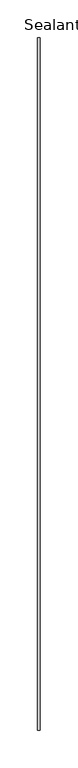
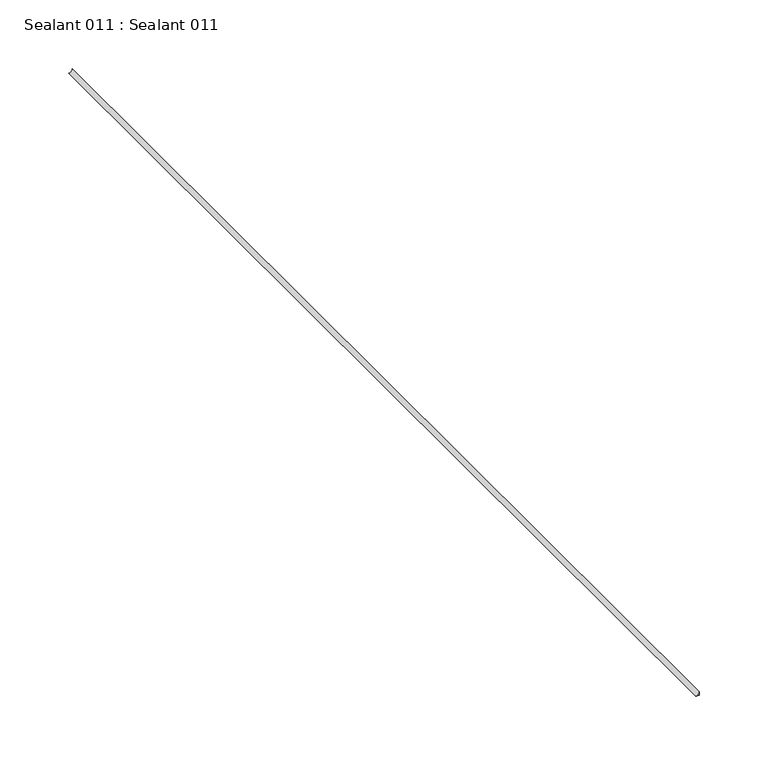
"""IFC4 building model written with IfcOpenShell, lengths in millimetres: proxy geometry, Sealant 011 : Sealant 011."""

import ifcopenshell
import ifcopenshell.guid

model = None  # the IFC model being written
_history = None  # IfcOwnerHistory: only IFC2X3 demands one
_inside = {}  # id of a spatial element -> (the spatial element, [elements in it])
_under = {}  # id of a project, library or spatial element -> (it, [spatial elements below it])
_declared = {}  # id of a project -> (the project, [libraries it declares])
_typed = {}  # id of a type object -> (the type object, [elements of that type])
_made_of = {}  # id of a material, layer set ... -> (it, [elements and type objects made of it])


def new_model(schema):
    """Start an empty IFC model of exactly this schema.

    Asked for "IFC4X3", IfcOpenShell would pick the latest addendum, in which some entities
    have other attributes; the version numbers below select the first issue.
    IFC2X3 requires an IfcOwnerHistory on every rooted entity: one is made here for all.
    """
    global model, _history
    if schema == "IFC4X3":
        model = ifcopenshell.file(schema_version=(4, 3, 0, 0))
    else:
        model = ifcopenshell.file(schema=schema)
    _inside.clear()
    _under.clear()
    _declared.clear()
    _typed.clear()
    _made_of.clear()
    _history = None
    if model.schema == "IFC2X3":
        org = make("IfcOrganization", Name="unknown")
        user = make(
            "IfcPersonAndOrganization",
            ThePerson=make("IfcPerson", FamilyName="unknown"),
            TheOrganization=org,
        )
        app = make(
            "IfcApplication",
            ApplicationDeveloper=org,
            Version="unknown",
            ApplicationFullName="unknown",
            ApplicationIdentifier="unknown",
        )
        _history = make(
            "IfcOwnerHistory",
            OwningUser=user,
            OwningApplication=app,
            ChangeAction="ADDED",
            CreationDate=0,
        )
    return model


def make(cls, **values):
    """One entity of the class cls with the attributes given. An attribute that is None is left unset."""
    return model.create_entity(
        cls, **{name: value for name, value in values.items() if value is not None}
    )


def rooted(cls, **values):
    """An entity with a GlobalId (a new one), such as an element, a storey or a relation."""
    return make(cls, GlobalId=ifcopenshell.guid.new(), OwnerHistory=_history, **values)


def si_unit(unit_type, name, prefix=None):
    """IfcSIUnit, for example si_unit("LENGTHUNIT", "METRE", prefix="MILLI")."""
    return make("IfcSIUnit", UnitType=unit_type, Prefix=prefix, Name=name)


def assignment(units):
    """IfcUnitAssignment: the units of a project."""
    return None if units is None else make("IfcUnitAssignment", Units=units)


def point(xyz):
    """IfcCartesianPoint."""
    return None if xyz is None else make("IfcCartesianPoint", Coordinates=xyz)


def direction(xyz):
    """IfcDirection."""
    return None if xyz is None else make("IfcDirection", DirectionRatios=xyz)


def frame(location, z_axis=None, x_axis=None):
    """IfcAxis2Placement3D, a coordinate frame: its origin and axes. An axis left out is left unset."""
    return make(
        "IfcAxis2Placement3D",
        Location=point(location),
        Axis=direction(z_axis),
        RefDirection=direction(x_axis),
    )


def origin():
    """The frame at (0, 0, 0) with its axes left unset."""
    return frame((0.0, 0.0, 0.0))


def place(relative_to, where):
    """IfcLocalPlacement: puts the frame where relative to a parent placement (None: the world)."""
    return make(
        "IfcLocalPlacement", PlacementRelTo=relative_to, RelativePlacement=where
    )


def context(
    kind, dimensions, precision=None, world=None, true_north=None, identifier=None
):
    """IfcGeometricRepresentationContext, for example the 3D "Model" context."""
    return make(
        "IfcGeometricRepresentationContext",
        ContextIdentifier=identifier,
        ContextType=kind,
        CoordinateSpaceDimension=dimensions,
        Precision=precision,
        WorldCoordinateSystem=world,
        TrueNorth=true_north,
    )


def project(units=None, contexts=None):
    """IfcProject with its units and contexts."""
    return rooted(
        "IfcProject",
        Name="project",
        RepresentationContexts=contexts,
        UnitsInContext=assignment(units),
    )


def spatial(cls, under=None, at=None, **own):
    """A site, building, storey or space (cls), placed at a placement, below another one or the project."""
    s = rooted(cls, ObjectPlacement=at, **own)
    if under is not None:
        _under.setdefault(under.id(), (under, []))[1].append(s)
    return s


def polyline(points):
    """IfcPolyline through the points."""
    return make("IfcPolyline", Points=[point(p) for p in points])


def circle_curve(where, radius):
    """IfcCircle in the frame where."""
    return make("IfcCircle", Position=where, Radius=radius)


def shape(context_of_items, identifier, shape_type, items):
    """IfcShapeRepresentation: the items that make up one representation, for example the "Body"."""
    return make(
        "IfcShapeRepresentation",
        ContextOfItems=context_of_items,
        RepresentationIdentifier=identifier,
        RepresentationType=shape_type,
        Items=items,
    )


def source(mapping_origin, context_of_items, identifier, shape_type, items):
    """IfcRepresentationMap: a shape defined once, which mapped items show again and again."""
    return make(
        "IfcRepresentationMap",
        MappingOrigin=mapping_origin,
        MappedRepresentation=shape(context_of_items, identifier, shape_type, items),
    )


def transform(
    local_origin,
    x_axis=None,
    y_axis=None,
    z_axis=None,
    scale=None,
    scale2=None,
    scale3=None,
    uniform=True,
):
    """IfcCartesianTransformationOperator3D, or its non-uniform kind. x_axis, y_axis, z_axis: its Axis1, 2, 3."""
    if uniform:
        return make(
            "IfcCartesianTransformationOperator3D",
            Axis1=direction(x_axis),
            Axis2=direction(y_axis),
            LocalOrigin=point(local_origin),
            Scale=scale,
            Axis3=direction(z_axis),
        )
    return make(
        "IfcCartesianTransformationOperator3DnonUniform",
        Axis1=direction(x_axis),
        Axis2=direction(y_axis),
        LocalOrigin=point(local_origin),
        Scale=scale,
        Axis3=direction(z_axis),
        Scale2=scale2,
        Scale3=scale3,
    )


def mapped(mapping_source, mapping_target):
    """IfcMappedItem: shows the shape of a source again, moved by a transform."""
    return make(
        "IfcMappedItem", MappingSource=mapping_source, MappingTarget=mapping_target
    )


def made_of(thing, what):
    """Note that an element or type object is made of a material, layer set ...; save() writes the relation."""
    if what is not None:
        _made_of.setdefault(what.id(), (what, []))[1].append(thing)
    return thing


def element(
    cls,
    number,
    at=None,
    inside=None,
    cuts=None,
    type_object=None,
    material=None,
    context=None,
    identifier="Body",
    shape_type=None,
    held_by="IfcProductDefinitionShape",
    body=None,
    shapes=None,
    **own,
):
    """One element of the class cls, such as IfcWall. Its Tag is "e" and its number.

    at: its placement. inside: the storey or other place that contains it. cuts: it is an
    opening in that element (IfcRelVoidsElement). A single representation is given by context,
    identifier, shape_type and body (its items); several are given by shapes. held_by: the class
    of the entity that holds the representations. save() writes the other relations.
    """
    e = rooted(cls, Tag="e%d" % number, ObjectPlacement=at, **own)
    if body is not None:
        shapes = [shape(context, identifier, shape_type, body)]
    if shapes is not None:
        e.Representation = make(held_by, Representations=shapes)
    if inside is not None:
        _inside.setdefault(inside.id(), (inside, []))[1].append(e)
    if cuts is not None:
        rooted(
            "IfcRelVoidsElement", RelatingBuildingElement=cuts, RelatedOpeningElement=e
        )
    if type_object is not None:
        _typed.setdefault(type_object.id(), (type_object, []))[1].append(e)
    return made_of(e, material)


def aggregate(whole, parts):
    """IfcRelAggregates: a whole, such as a stair, and the parts it consists of."""
    return rooted("IfcRelAggregates", RelatingObject=whole, RelatedObjects=parts)


def save(model, path):
    """Write the relations noted so far, then the file.

    IfcRelAggregates (storeys below a building ...), IfcRelContainedInSpatialStructure (elements
    in a storey), IfcRelDefinesByType, IfcRelAssociatesMaterial and IfcRelDeclares: one each for
    every whole, place, type object, material and project.
    """
    for whole, parts in _under.values():
        aggregate(whole, parts)
    for where, things in _inside.values():
        rooted(
            "IfcRelContainedInSpatialStructure",
            RelatedElements=things,
            RelatingStructure=where,
        )
    for kind, things in _typed.values():
        rooted("IfcRelDefinesByType", RelatedObjects=things, RelatingType=kind)
    for what, things in _made_of.values():
        rooted("IfcRelAssociatesMaterial", RelatedObjects=things, RelatingMaterial=what)
    for by, libraries in _declared.values():
        rooted("IfcRelDeclares", RelatingContext=by, RelatedDefinitions=libraries)
    model.write(path)


def plane_surface(at):
    """IfcPlane: the flat surface through the origin of the frame at, square to its z axis."""
    return make("IfcPlane", Position=at)


def revolved_surface(curve, axis_point, axis_direction):
    """IfcSurfaceOfRevolution: the curve turned about the line through axis_point along axis_direction."""
    return make(
        "IfcSurfaceOfRevolution",
        SweptCurve=make("IfcArbitraryOpenProfileDef", ProfileType="CURVE", Curve=curve),
        AxisPosition=make("IfcAxis1Placement", Location=point(axis_point), Axis=direction(axis_direction)),
    )


def advanced_brep(points, edges, surfaces, faces):
    """IfcAdvancedBrep: a solid bounded by faces that lie on surfaces and meet in shared edges.

    An edge is (start, end): straight between two places in points (the first is 0);
    or (start, end, curve); or (start, end, curve, False) where it runs against its curve.
    A face is (place in surfaces, loops), or (place, loops, False) where it looks against
    its surface's normal. A loop lists edges by number (the first is 1), with a minus sign
    where the edge is run from its end to its start. The first loop is the outer one.
    """
    corners = [point(p) for p in points]
    vertices = [make("IfcVertexPoint", VertexGeometry=c) for c in corners]
    made = []
    for start, end, *more in edges:
        made.append(
            make(
                "IfcEdgeCurve",
                EdgeStart=vertices[start],
                EdgeEnd=vertices[end],
                EdgeGeometry=more[0] if more else make("IfcPolyline", Points=[corners[start], corners[end]]),
                SameSense=more[1] if len(more) > 1 else True,
            )
        )
    hull = []
    for where, loops, *sense in faces:
        bounds = []
        for j, loop in enumerate(loops):
            ring = [make("IfcOrientedEdge", EdgeElement=made[abs(k) - 1], Orientation=k > 0) for k in loop]
            bounds.append(
                make(
                    "IfcFaceOuterBound" if j == 0 else "IfcFaceBound",
                    Bound=make("IfcEdgeLoop", EdgeList=ring),
                    Orientation=True,
                )
            )
        hull.append(make("IfcAdvancedFace", Bounds=bounds, FaceSurface=surfaces[where], SameSense=sense[0] if sense else True))
    return make("IfcAdvancedBrep", Outer=make("IfcClosedShell", CfsFaces=hull))


def sealant_011_sealant_011_d338be9a(model_context):
    return source(origin(), model_context, "Body", "AdvancedBrep", [
        advanced_brep(
        [(37535.3624993, -18662.4329893, 1347.4367676), (37538.5374993, -18662.4329893, 1350.6117676), (37538.5374993, -18662.4329893, 1347.4367676), (37535.3624993, -19576.8329893, 1347.4367676), (37538.5374993, -19576.8329893, 1347.4367676), (37538.5374993, -19576.8329893, 1350.6117676)],
        [
            (0, 1, circle_curve(frame((37535.3624993, -18662.4329893, 1350.6117676), z_axis=(0.0, -1.0, 0.0), x_axis=(-1.0, 0.0, 0.0)), 3.175)),
            (1, 2),
            (2, 0),
            (3, 4),
            (4, 5),
            (5, 3, circle_curve(frame((37535.3624993, -19576.8329893, 1350.6117676), z_axis=(0.0, 1.0, 0.0), x_axis=(-1.0, 0.0, 0.0)), 3.175)),
            (0, 3),
            (5, 1),
            (4, 2),
        ],
        [
            plane_surface(frame((37532.1874993, -18662.4329893, 1350.6117676), z_axis=(0.0, 1.0, 0.0), x_axis=(0.0, 0.0, -1.0))),
            plane_surface(frame((37532.1874993, -19576.8329893, 1350.6117676), z_axis=(0.0, -1.0, 0.0), x_axis=(0.0, 0.0, 1.0))),
            revolved_surface(polyline([(37532.187499299995, -19576.8329893, 1350.6117676), (37532.187499299995, -18662.4329893, 1350.6117676)]), (37535.3624993, -19576.8329893, 1350.6117676), (0.0, -1.0, 0.0)),
            plane_surface(frame((37538.5374993, -18662.4329893, 1350.6117676), z_axis=(1.0, 0.0, 1.3642420526592373e-12), x_axis=(0.0, -1.0, 0.0))),
            plane_surface(frame((37538.5374993, -18662.4329893, 1347.4367676), z_axis=(0.0, 0.0, -1.0), x_axis=(0.0, -1.0, 0.0))),
        ],
        [
            (0, [[1, 2, 3]]),
            (1, [[4, 5, 6]]),
            (2, [[-1, 7, -6, 8]]),
            (3, [[-2, -8, -5, 9]]),
            (4, [[-3, -9, -4, -7]]),
        ],
    ),
    ])


if __name__ == "__main__":
    model = new_model("IFC4")
    model_context = context("Model", 3, world=origin())
    ifc_project = project(units=[si_unit("LENGTHUNIT", "METRE", prefix="MILLI")], contexts=[model_context])
    site = spatial("IfcSite", under=ifc_project)
    building = spatial("IfcBuilding", under=site)
    placement = place(None, origin())
    sealant_011_sealant_011_shape = sealant_011_sealant_011_d338be9a(model_context)
    element("IfcBuildingElementProxy", 1, Name="Sealant 011 : Sealant 011", ObjectType="Sealant 011 : Sealant 011", at=placement, inside=building, context=model_context, shape_type="MappedRepresentation", body=[
        mapped(sealant_011_sealant_011_shape, transform((0.0, 0.0, 0.0), x_axis=(1.0, 0.0, 0.0), y_axis=(0.0, 1.0, 0.0), z_axis=(0.0, 0.0, 1.0))),
    ])
    save(model, "model.ifc")
